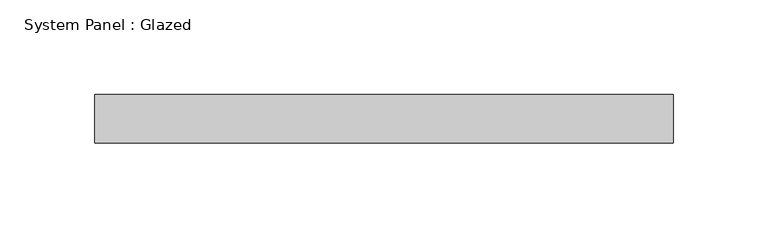
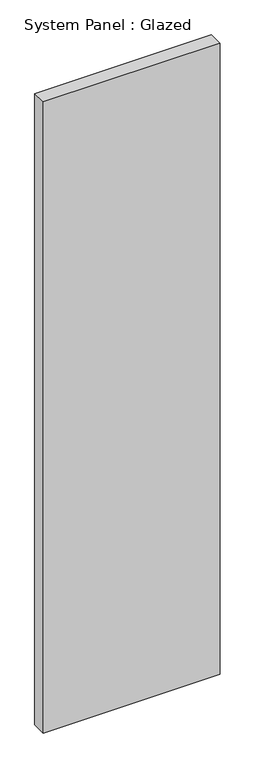
"""IFC4 building model written with IfcOpenShell, lengths in millimetres: plate geometry, System Panel : Glazed."""

from ifc_helpers import new_model, si_unit, origin, origin_with_axes, place, context, project, spatial, polyline, outline, extrude, source, transform, mapped, element, save


def system_panel_glazed_af7aebb8(model_context):
    return source(origin(), model_context, "Body", "SweptSolid", [
        extrude(outline(polyline([(152.4, -12.7), (-152.4, -12.7), (-152.4, 12.7), (152.4, 12.7), (152.4, -12.7)])), origin_with_axes(), (0.0, 0.0, 1.0), 1149.35),
    ])


if __name__ == "__main__":
    model = new_model("IFC4")
    model_context = context("Model", 3, world=origin())
    ifc_project = project(units=[si_unit("LENGTHUNIT", "METRE", prefix="MILLI")], contexts=[model_context])
    site = spatial("IfcSite", under=ifc_project)
    building = spatial("IfcBuilding", under=site)
    placement = place(None, origin())
    system_panel_glazed_shape = system_panel_glazed_af7aebb8(model_context)
    element("IfcPlate", 1, ObjectType="System Panel : Glazed", at=placement, inside=building, context=model_context, shape_type="MappedRepresentation", body=[
        mapped(system_panel_glazed_shape, transform((0.0, 0.0, 0.0), x_axis=(1.0, 0.0, 0.0), y_axis=(0.0, 1.0, 0.0), z_axis=(0.0, 0.0, 1.0))),
    ])
    save(model, "model.ifc")
